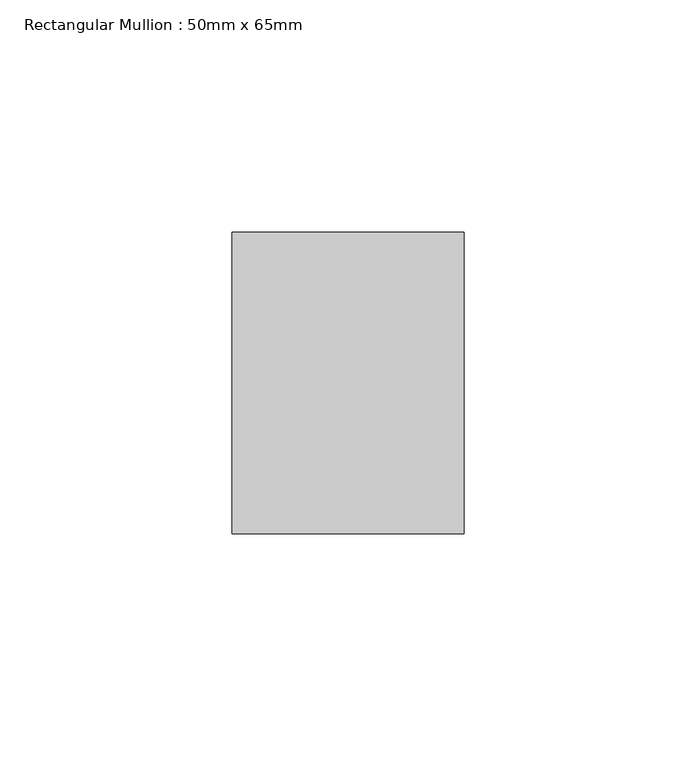
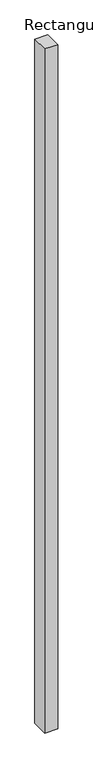
"""IFC4 building model written with IfcOpenShell, lengths in millimetres: member geometry, Rectangular Mullion : 50mm x 65mm."""

import ifcopenshell
import ifcopenshell.guid

model = None  # the IFC model being written
_history = None  # IfcOwnerHistory: only IFC2X3 demands one
_inside = {}  # id of a spatial element -> (the spatial element, [elements in it])
_under = {}  # id of a project, library or spatial element -> (it, [spatial elements below it])
_declared = {}  # id of a project -> (the project, [libraries it declares])
_typed = {}  # id of a type object -> (the type object, [elements of that type])
_made_of = {}  # id of a material, layer set ... -> (it, [elements and type objects made of it])


def new_model(schema):
    """Start an empty IFC model of exactly this schema.

    Asked for "IFC4X3", IfcOpenShell would pick the latest addendum, in which some entities
    have other attributes; the version numbers below select the first issue.
    IFC2X3 requires an IfcOwnerHistory on every rooted entity: one is made here for all.
    """
    global model, _history
    if schema == "IFC4X3":
        model = ifcopenshell.file(schema_version=(4, 3, 0, 0))
    else:
        model = ifcopenshell.file(schema=schema)
    _inside.clear()
    _under.clear()
    _declared.clear()
    _typed.clear()
    _made_of.clear()
    _history = None
    if model.schema == "IFC2X3":
        org = make("IfcOrganization", Name="unknown")
        user = make(
            "IfcPersonAndOrganization",
            ThePerson=make("IfcPerson", FamilyName="unknown"),
            TheOrganization=org,
        )
        app = make(
            "IfcApplication",
            ApplicationDeveloper=org,
            Version="unknown",
            ApplicationFullName="unknown",
            ApplicationIdentifier="unknown",
        )
        _history = make(
            "IfcOwnerHistory",
            OwningUser=user,
            OwningApplication=app,
            ChangeAction="ADDED",
            CreationDate=0,
        )
    return model


def make(cls, **values):
    """One entity of the class cls with the attributes given. An attribute that is None is left unset."""
    return model.create_entity(
        cls, **{name: value for name, value in values.items() if value is not None}
    )


def rooted(cls, **values):
    """An entity with a GlobalId (a new one), such as an element, a storey or a relation."""
    return make(cls, GlobalId=ifcopenshell.guid.new(), OwnerHistory=_history, **values)


def si_unit(unit_type, name, prefix=None):
    """IfcSIUnit, for example si_unit("LENGTHUNIT", "METRE", prefix="MILLI")."""
    return make("IfcSIUnit", UnitType=unit_type, Prefix=prefix, Name=name)


def assignment(units):
    """IfcUnitAssignment: the units of a project."""
    return None if units is None else make("IfcUnitAssignment", Units=units)


def point(xyz):
    """IfcCartesianPoint."""
    return None if xyz is None else make("IfcCartesianPoint", Coordinates=xyz)


def direction(xyz):
    """IfcDirection."""
    return None if xyz is None else make("IfcDirection", DirectionRatios=xyz)


def frame(location, z_axis=None, x_axis=None):
    """IfcAxis2Placement3D, a coordinate frame: its origin and axes. An axis left out is left unset."""
    return make(
        "IfcAxis2Placement3D",
        Location=point(location),
        Axis=direction(z_axis),
        RefDirection=direction(x_axis),
    )


def origin():
    """The frame at (0, 0, 0) with its axes left unset."""
    return frame((0.0, 0.0, 0.0))


def place(relative_to, where):
    """IfcLocalPlacement: puts the frame where relative to a parent placement (None: the world)."""
    return make(
        "IfcLocalPlacement", PlacementRelTo=relative_to, RelativePlacement=where
    )


def context(
    kind, dimensions, precision=None, world=None, true_north=None, identifier=None
):
    """IfcGeometricRepresentationContext, for example the 3D "Model" context."""
    return make(
        "IfcGeometricRepresentationContext",
        ContextIdentifier=identifier,
        ContextType=kind,
        CoordinateSpaceDimension=dimensions,
        Precision=precision,
        WorldCoordinateSystem=world,
        TrueNorth=true_north,
    )


def project(units=None, contexts=None):
    """IfcProject with its units and contexts."""
    return rooted(
        "IfcProject",
        Name="project",
        RepresentationContexts=contexts,
        UnitsInContext=assignment(units),
    )


def spatial(cls, under=None, at=None, **own):
    """A site, building, storey or space (cls), placed at a placement, below another one or the project."""
    s = rooted(cls, ObjectPlacement=at, **own)
    if under is not None:
        _under.setdefault(under.id(), (under, []))[1].append(s)
    return s


def polyline(points):
    """IfcPolyline through the points."""
    return make("IfcPolyline", Points=[point(p) for p in points])


def outline(outer, holes=None, kind="AREA"):
    """IfcArbitraryClosedProfileDef: a profile drawn as a closed curve; with holes, ...WithVoids."""
    if holes is None:
        return make("IfcArbitraryClosedProfileDef", ProfileType=kind, OuterCurve=outer)
    return make(
        "IfcArbitraryProfileDefWithVoids",
        ProfileType=kind,
        OuterCurve=outer,
        InnerCurves=holes,
    )


def extrude(swept, where, along, depth):
    """IfcExtrudedAreaSolid: the profile swept, set in the frame where, extruded along a direction by depth."""
    return make(
        "IfcExtrudedAreaSolid",
        SweptArea=swept,
        Position=where,
        ExtrudedDirection=direction(along),
        Depth=depth,
    )


def shape(context_of_items, identifier, shape_type, items):
    """IfcShapeRepresentation: the items that make up one representation, for example the "Body"."""
    return make(
        "IfcShapeRepresentation",
        ContextOfItems=context_of_items,
        RepresentationIdentifier=identifier,
        RepresentationType=shape_type,
        Items=items,
    )


def source(mapping_origin, context_of_items, identifier, shape_type, items):
    """IfcRepresentationMap: a shape defined once, which mapped items show again and again."""
    return make(
        "IfcRepresentationMap",
        MappingOrigin=mapping_origin,
        MappedRepresentation=shape(context_of_items, identifier, shape_type, items),
    )


def transform(
    local_origin,
    x_axis=None,
    y_axis=None,
    z_axis=None,
    scale=None,
    scale2=None,
    scale3=None,
    uniform=True,
):
    """IfcCartesianTransformationOperator3D, or its non-uniform kind. x_axis, y_axis, z_axis: its Axis1, 2, 3."""
    if uniform:
        return make(
            "IfcCartesianTransformationOperator3D",
            Axis1=direction(x_axis),
            Axis2=direction(y_axis),
            LocalOrigin=point(local_origin),
            Scale=scale,
            Axis3=direction(z_axis),
        )
    return make(
        "IfcCartesianTransformationOperator3DnonUniform",
        Axis1=direction(x_axis),
        Axis2=direction(y_axis),
        LocalOrigin=point(local_origin),
        Scale=scale,
        Axis3=direction(z_axis),
        Scale2=scale2,
        Scale3=scale3,
    )


def mapped(mapping_source, mapping_target):
    """IfcMappedItem: shows the shape of a source again, moved by a transform."""
    return make(
        "IfcMappedItem", MappingSource=mapping_source, MappingTarget=mapping_target
    )


def made_of(thing, what):
    """Note that an element or type object is made of a material, layer set ...; save() writes the relation."""
    if what is not None:
        _made_of.setdefault(what.id(), (what, []))[1].append(thing)
    return thing


def element(
    cls,
    number,
    at=None,
    inside=None,
    cuts=None,
    type_object=None,
    material=None,
    context=None,
    identifier="Body",
    shape_type=None,
    held_by="IfcProductDefinitionShape",
    body=None,
    shapes=None,
    **own,
):
    """One element of the class cls, such as IfcWall. Its Tag is "e" and its number.

    at: its placement. inside: the storey or other place that contains it. cuts: it is an
    opening in that element (IfcRelVoidsElement). A single representation is given by context,
    identifier, shape_type and body (its items); several are given by shapes. held_by: the class
    of the entity that holds the representations. save() writes the other relations.
    """
    e = rooted(cls, Tag="e%d" % number, ObjectPlacement=at, **own)
    if body is not None:
        shapes = [shape(context, identifier, shape_type, body)]
    if shapes is not None:
        e.Representation = make(held_by, Representations=shapes)
    if inside is not None:
        _inside.setdefault(inside.id(), (inside, []))[1].append(e)
    if cuts is not None:
        rooted(
            "IfcRelVoidsElement", RelatingBuildingElement=cuts, RelatedOpeningElement=e
        )
    if type_object is not None:
        _typed.setdefault(type_object.id(), (type_object, []))[1].append(e)
    return made_of(e, material)


def aggregate(whole, parts):
    """IfcRelAggregates: a whole, such as a stair, and the parts it consists of."""
    return rooted("IfcRelAggregates", RelatingObject=whole, RelatedObjects=parts)


def save(model, path):
    """Write the relations noted so far, then the file.

    IfcRelAggregates (storeys below a building ...), IfcRelContainedInSpatialStructure (elements
    in a storey), IfcRelDefinesByType, IfcRelAssociatesMaterial and IfcRelDeclares: one each for
    every whole, place, type object, material and project.
    """
    for whole, parts in _under.values():
        aggregate(whole, parts)
    for where, things in _inside.values():
        rooted(
            "IfcRelContainedInSpatialStructure",
            RelatedElements=things,
            RelatingStructure=where,
        )
    for kind, things in _typed.values():
        rooted("IfcRelDefinesByType", RelatedObjects=things, RelatingType=kind)
    for what, things in _made_of.values():
        rooted("IfcRelAssociatesMaterial", RelatedObjects=things, RelatingMaterial=what)
    for by, libraries in _declared.values():
        rooted("IfcRelDeclares", RelatingContext=by, RelatedDefinitions=libraries)
    model.write(path)


def rectangular_mullion_50mm_x_65mm_2e629c09(model_context):
    return source(origin(), model_context, "Body", "SweptSolid", [
        extrude(outline(polyline([(25.0, 32.5), (25.0, -32.5), (-25.0, -32.5), (-25.0, 32.5), (25.0, 32.5)])), frame((0.0, 0.0, -2773.8909817), z_axis=(0.0, 0.0, 1.0), x_axis=(1.0, 0.0, 0.0)), (0.0, 0.0, 1.0), 2773.8909817),
    ])


if __name__ == "__main__":
    model = new_model("IFC4")
    model_context = context("Model", 3, world=origin())
    ifc_project = project(units=[si_unit("LENGTHUNIT", "METRE", prefix="MILLI")], contexts=[model_context])
    site = spatial("IfcSite", under=ifc_project)
    building = spatial("IfcBuilding", under=site)
    placement = place(None, origin())
    rectangular_mullion_50mm_x_65mm_shape = rectangular_mullion_50mm_x_65mm_2e629c09(model_context)
    element("IfcMember", 1, ObjectType="Rectangular Mullion : 50mm x 65mm", at=placement, inside=building, context=model_context, shape_type="MappedRepresentation", body=[
        mapped(rectangular_mullion_50mm_x_65mm_shape, transform((0.0, 0.0, 0.0), x_axis=(1.0, 0.0, 0.0), y_axis=(0.0, 1.0, 0.0), z_axis=(0.0, 0.0, 1.0))),
    ])
    save(model, "model.ifc")
